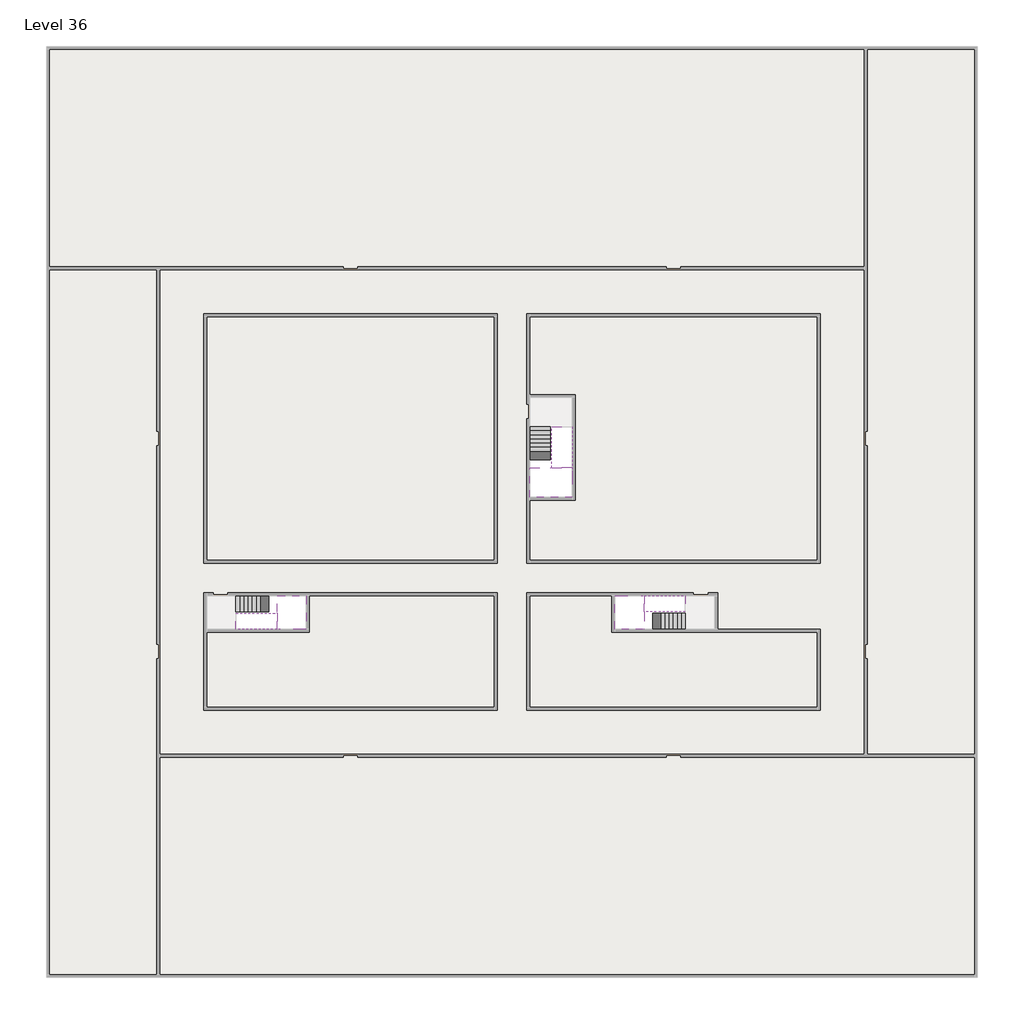
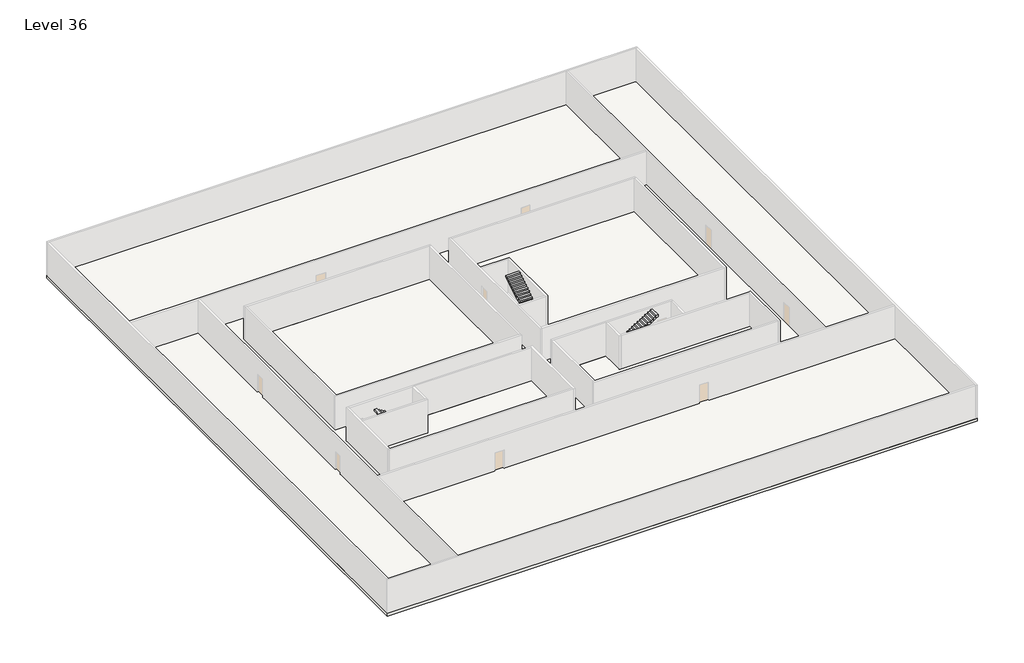
# One storey, part 2 of 2: 6 stair flights, 5 slabs.
"""IFC4 building model written with IfcOpenShell, lengths in millimetres."""

from ifc_helpers import new_model, si_unit, frame, origin, place, context, project, spatial, polyline, outline, extrude, faceted_brep, element, save

model = new_model("IFC4")

# Units and contexts
model_context = context("Model", 3, world=origin())
ifc_project = project(units=[si_unit("LENGTHUNIT", "METRE", prefix="MILLI")], contexts=[model_context])

# Site, building, storey
site = spatial("IfcSite", under=ifc_project)
building = spatial("IfcBuilding", under=site)
storey = spatial("IfcBuildingStorey", under=building, Name="Level 36", Elevation=133000.0)

# Slabs
placement = place(None, origin())
element("IfcSlab", 1, at=placement, inside=storey, context=model_context, shape_type="Brep", body=[
    faceted_brep([(8190.1058784, -42918.09644, 134900.0), (8190.1058784, -44018.09644, 134900.0), (8190.1058784, -44118.09644, 134900.0), (8190.1058784, -45218.09644, 134900.0), (8390.7194421, -45218.09644, 134900.0), (10190.1058784, -45218.09644, 134900.0), (10190.1058784, -42918.09644, 134900.0), (8269.4923146, -42918.09644, 134900.0), (8190.1058784, -42918.09644, 134727.2727273), (8190.1058784, -42918.09644, 134551.0278478), (8190.1058784, -44018.09644, 134551.0278478), (8190.1058784, -44018.09644, 134600.0), (8190.1058784, -44118.09644, 134600.0), (8190.1058784, -44118.09644, 134723.7551205), (8190.1058784, -45218.09644, 134723.7551205), (8390.7194421, -45218.09644, 134600.0), (10190.1058784, -45218.09644, 134600.0), (10190.1058784, -42918.09644, 134600.0), (8269.4923146, -42918.09644, 134600.0), (8390.7194421, -44118.09644, 134600.0), (8269.4923146, -44018.09644, 134600.0)], [[[0, 1, 2, 3, 4, 5, 6, 7]], [[1, 0, 8, 9, 10, 11]], [[2, 1, 11, 12, 13]], [[3, 2, 13, 14]], [[3, 14, 15, 16, 5, 4]], [[6, 5, 16, 17]], [[9, 8, 0, 7, 6, 17, 18]], [[19, 12, 11, 20, 18, 17, 16, 15]], [[12, 19, 13]], [[18, 20, 10, 9]], [[20, 11, 10]], [[19, 15, 14, 13]]]),
])
element("IfcSlab", 2, at=placement, inside=storey, context=model_context, shape_type="Brep", body=[
    faceted_brep([(33190.1058784, -45218.09644, 134900.0), (33190.1058784, -44118.09644, 134900.0), (33190.1058784, -44018.09644, 134900.0), (33190.1058784, -42918.09644, 134900.0), (32989.4923146, -42918.09644, 134900.0), (31190.1058784, -42918.09644, 134900.0), (31190.1058784, -45218.09644, 134900.0), (33110.7194421, -45218.09644, 134900.0), (33190.1058784, -45218.09644, 134727.2727273), (33190.1058784, -45218.09644, 134551.0278478), (33190.1058784, -44118.09644, 134551.0278478), (33190.1058784, -44118.09644, 134600.0), (33190.1058784, -44018.09644, 134600.0), (33190.1058784, -44018.09644, 134723.7551205), (33190.1058784, -42918.09644, 134723.7551205), (32989.4923146, -42918.09644, 134600.0), (31190.1058784, -42918.09644, 134600.0), (31190.1058784, -45218.09644, 134600.0), (33110.7194421, -45218.09644, 134600.0), (32989.4923146, -44018.09644, 134600.0), (33110.7194421, -44118.09644, 134600.0)], [[[0, 1, 2, 3, 4, 5, 6, 7]], [[1, 0, 8, 9, 10, 11]], [[2, 1, 11, 12, 13]], [[3, 2, 13, 14]], [[3, 14, 15, 16, 5, 4]], [[6, 5, 16, 17]], [[9, 8, 0, 7, 6, 17, 18]], [[19, 12, 11, 20, 18, 17, 16, 15]], [[12, 19, 13]], [[18, 20, 10, 9]], [[20, 11, 10]], [[19, 15, 14, 13]]]),
])
element("IfcSlab", 3, at=placement, inside=storey, context=model_context, shape_type="Brep", body=[
    faceted_brep([(26790.1058784, -34218.09644, 134900.0), (25390.1058784, -34218.09644, 134900.0), (25390.1058784, -34297.4828763, 134900.0), (25390.1058784, -36218.09644, 134900.0), (28290.1058784, -36218.09644, 134900.0), (28290.1058784, -34418.7100038, 134900.0), (28290.1058784, -34218.09644, 134900.0), (26890.1058784, -34218.09644, 134900.0), (26790.1058784, -34218.09644, 134600.0), (26790.1058784, -34218.09644, 134551.0278478), (25390.1058784, -34218.09644, 134551.0278478), (25390.1058784, -34218.09644, 134727.2727273), (25390.1058784, -34297.4828763, 134600.0), (25390.1058784, -36218.09644, 134600.0), (28290.1058784, -36218.09644, 134600.0), (28290.1058784, -34418.7100038, 134600.0), (28290.1058784, -34218.09644, 134723.7551205), (26890.1058784, -34218.09644, 134723.7551205), (26890.1058784, -34218.09644, 134600.0), (26890.1058784, -34418.7100038, 134600.0), (26790.1058784, -34297.4828763, 134600.0)], [[[0, 1, 2, 3, 4, 5, 6, 7]], [[1, 0, 8, 9, 10, 11]], [[1, 11, 10, 12, 13, 3, 2]], [[4, 3, 13, 14]], [[4, 14, 15, 16, 6, 5]], [[7, 6, 16, 17]], [[0, 7, 17, 18, 8]], [[18, 19, 15, 14, 13, 12, 20, 8]], [[19, 18, 17]], [[20, 12, 10, 9]], [[8, 20, 9]], [[15, 19, 17, 16]]]),
])
element("IfcSlab", 4, at=placement, inside=storey, context=model_context, shape_type="SweptSolid", body=[
    extrude(outline(polyline([(55890.1058784, -5518.09644), (55890.1058784, -68918.09644), (-7509.8941216, -68918.09644), (-7509.8941216, -5518.09644), (55890.1058784, -5518.09644)]), holes=[polyline([(22990.1058784, -23918.09644), (3390.1058784, -23918.09644), (3390.1058784, -40518.09644), (22990.1058784, -40518.09644), (22990.1058784, -23918.09644)]), polyline([(44990.1058784, -23918.09644), (25390.1058784, -23918.09644), (25390.1058784, -40518.09644), (44990.1058784, -40518.09644), (44990.1058784, -23918.09644)]), polyline([(37990.1058784, -42918.09644), (25390.1058784, -42918.09644), (25390.1058784, -50518.09644), (44990.1058784, -50518.09644), (44990.1058784, -45418.09644), (37990.1058784, -45418.09644), (37990.1058784, -42918.09644)]), polyline([(22990.1058784, -42918.09644), (3390.1058784, -42918.09644), (3390.1058784, -50518.09644), (22990.1058784, -50518.09644), (22990.1058784, -42918.09644)])]), frame((0.0, 0.0, 132700.0), z_axis=(0.0, 0.0, 1.0), x_axis=(1.0, 0.0, 0.0)), (0.0, 0.0, 1.0), 300.0),
])
element("IfcSlab", 5, at=placement, inside=storey, context=model_context, shape_type="SweptSolid", body=[
    extrude(outline(polyline([(22990.1058784, -23918.09644), (22990.1058784, -40518.09644), (3390.1058784, -40518.09644), (3390.1058784, -23918.09644), (22990.1058784, -23918.09644)])), frame((0.0, 0.0, 132700.0), z_axis=(0.0, 0.0, 1.0), x_axis=(1.0, 0.0, 0.0)), (0.0, 0.0, 1.0), 300.0),
    extrude(outline(polyline([(44990.1058784, -23918.09644), (44990.1058784, -40518.09644), (25390.1058784, -40518.09644), (25390.1058784, -36418.09644), (28490.1058784, -36418.09644), (28490.1058784, -29218.09644), (25390.1058784, -29218.09644), (25390.1058784, -23918.09644), (44990.1058784, -23918.09644)])), frame((0.0, 0.0, 132700.0), z_axis=(0.0, 0.0, 1.0), x_axis=(1.0, 0.0, 0.0)), (0.0, 0.0, 1.0), 300.0),
    extrude(outline(polyline([(22990.1058784, -42918.09644), (22990.1058784, -50518.09644), (3390.1058784, -50518.09644), (3390.1058784, -45418.09644), (10390.1058784, -45418.09644), (10390.1058784, -42918.09644), (22990.1058784, -42918.09644)])), frame((0.0, 0.0, 132700.0), z_axis=(0.0, 0.0, 1.0), x_axis=(1.0, 0.0, 0.0)), (0.0, 0.0, 1.0), 300.0),
    extrude(outline(polyline([(30990.1058784, -42918.09644), (30990.1058784, -45418.09644), (44990.1058784, -45418.09644), (44990.1058784, -50518.09644), (25390.1058784, -50518.09644), (25390.1058784, -42918.09644), (30990.1058784, -42918.09644)])), frame((0.0, 0.0, 132700.0), z_axis=(0.0, 0.0, 1.0), x_axis=(1.0, 0.0, 0.0)), (0.0, 0.0, 1.0), 300.0),
])

# Stair flights
element("IfcStairFlight", 6, at=placement, inside=storey, context=model_context, shape_type="Brep", body=[
    faceted_brep([(5670.1058784, -42918.09644, 133172.7272727), (5390.1058784, -42918.09644, 133172.7272727), (5390.1058784, -44018.09644, 133172.7272727), (5670.1058784, -44018.09644, 133172.7272727), (5670.1058784, -42918.09644, 133000.0), (5390.1058784, -42918.09644, 133000.0), (5390.1058784, -44018.09644, 133000.0), (5670.1058784, -44018.09644, 133000.0), (5950.1058784, -42918.09644, 133345.4545455), (5670.1058784, -42918.09644, 133345.4545455), (5670.1058784, -44018.09644, 133345.4545455), (5950.1058784, -44018.09644, 133345.4545455), (5950.1058784, -42918.09644, 133169.209666), (5675.8081041, -42918.09644, 133000.0), (5675.8081041, -44018.09644, 133000.0), (5950.1058784, -44018.09644, 133169.209666), (6230.1058784, -42918.09644, 133518.1818182), (5950.1058784, -42918.09644, 133518.1818182), (5950.1058784, -44018.09644, 133518.1818182), (6230.1058784, -44018.09644, 133518.1818182), (6230.1058784, -42918.09644, 133341.9369387), (6230.1058784, -44018.09644, 133341.9369387), (6510.1058784, -42918.09644, 133690.9090909), (6230.1058784, -42918.09644, 133690.9090909), (6230.1058784, -44018.09644, 133690.9090909), (6510.1058784, -44018.09644, 133690.9090909), (6510.1058784, -42918.09644, 133514.6642114), (6510.1058784, -44018.09644, 133514.6642114), (6790.1058784, -42918.09644, 133863.6363636), (6510.1058784, -42918.09644, 133863.6363636), (6510.1058784, -44018.09644, 133863.6363636), (6790.1058784, -44018.09644, 133863.6363636), (6790.1058784, -42918.09644, 133687.3914841), (6790.1058784, -44018.09644, 133687.3914841), (7070.1058784, -42918.09644, 134036.3636364), (6790.1058784, -42918.09644, 134036.3636364), (6790.1058784, -44018.09644, 134036.3636364), (7070.1058784, -44018.09644, 134036.3636364), (7070.1058784, -42918.09644, 133860.1187569), (7070.1058784, -44018.09644, 133860.1187569), (7350.1058784, -42918.09644, 134209.0909091), (7070.1058784, -42918.09644, 134209.0909091), (7070.1058784, -44018.09644, 134209.0909091), (7350.1058784, -44018.09644, 134209.0909091), (7350.1058784, -42918.09644, 134032.8460296), (7350.1058784, -44018.09644, 134032.8460296), (7630.1058784, -42918.09644, 134381.8181818), (7350.1058784, -42918.09644, 134381.8181818), (7350.1058784, -44018.09644, 134381.8181818), (7630.1058784, -44018.09644, 134381.8181818), (7630.1058784, -42918.09644, 134205.5733023), (7630.1058784, -44018.09644, 134205.5733023), (7910.1058784, -42918.09644, 134554.5454545), (7630.1058784, -42918.09644, 134554.5454545), (7630.1058784, -44018.09644, 134554.5454545), (7910.1058784, -44018.09644, 134554.5454545), (7910.1058784, -42918.09644, 134378.3005751), (7910.1058784, -44018.09644, 134378.3005751), (8190.1058784, -42918.09644, 134727.2727273), (7910.1058784, -42918.09644, 134727.2727273), (7910.1058784, -44018.09644, 134727.2727273), (8190.1058784, -44018.09644, 134727.2727273), (8190.1058784, -42918.09644, 134551.0278478), (8190.1058784, -44018.09644, 134551.0278478), (8190.1058784, -44018.09644, 134600.0)], [[[0, 1, 2, 3]], [[1, 0, 4, 5]], [[2, 1, 5, 6]], [[3, 2, 6, 7]], [[8, 9, 10, 11]], [[4, 0, 9, 8, 12, 13]], [[0, 3, 10, 9]], [[3, 7, 14, 15, 11, 10]], [[16, 17, 18, 19]], [[17, 16, 20, 12, 8]], [[8, 11, 18, 17]], [[19, 18, 11, 15, 21]], [[22, 23, 24, 25]], [[23, 22, 26, 20, 16]], [[16, 19, 24, 23]], [[25, 24, 19, 21, 27]], [[28, 29, 30, 31]], [[29, 28, 32, 26, 22]], [[22, 25, 30, 29]], [[31, 30, 25, 27, 33]], [[34, 35, 36, 37]], [[35, 34, 38, 32, 28]], [[28, 31, 36, 35]], [[37, 36, 31, 33, 39]], [[40, 41, 42, 43]], [[41, 40, 44, 38, 34]], [[34, 37, 42, 41]], [[43, 42, 37, 39, 45]], [[46, 47, 48, 49]], [[47, 46, 50, 44, 40]], [[40, 43, 48, 47]], [[49, 48, 43, 45, 51]], [[52, 53, 54, 55]], [[53, 52, 56, 50, 46]], [[46, 49, 54, 53]], [[55, 54, 49, 51, 57]], [[58, 59, 60, 61]], [[59, 58, 62, 56, 52]], [[52, 55, 60, 59]], [[61, 60, 55, 57, 63, 64]], [[58, 61, 64, 63, 62]], [[5, 4, 13, 14, 7, 6]], [[14, 13, 12, 20, 26, 32, 38, 44, 50, 56, 62, 63, 57, 51, 45, 39, 33, 27, 21, 15]]]),
])
element("IfcStairFlight", 7, at=placement, inside=storey, context=model_context, shape_type="Brep", body=[
    faceted_brep([(7910.1058784, -45218.09644, 135072.7272727), (8190.1058784, -45218.09644, 135072.7272727), (8190.1058784, -44118.09644, 135072.7272727), (7910.1058784, -44118.09644, 135072.7272727), (7910.1058784, -45218.09644, 134896.4823932), (8190.1058784, -45218.09644, 134723.7551205), (8190.1058784, -45218.09644, 134900.0), (8190.1058784, -44118.09644, 134723.7551205), (7910.1058784, -44118.09644, 134896.4823932), (7630.1058784, -45218.09644, 135245.4545455), (7910.1058784, -45218.09644, 135245.4545455), (7910.1058784, -44118.09644, 135245.4545455), (7630.1058784, -44118.09644, 135245.4545455), (7630.1058784, -45218.09644, 135069.209666), (7630.1058784, -44118.09644, 135069.209666), (7350.1058784, -45218.09644, 135418.1818182), (7630.1058784, -45218.09644, 135418.1818182), (7630.1058784, -44118.09644, 135418.1818182), (7350.1058784, -44118.09644, 135418.1818182), (7350.1058784, -45218.09644, 135241.9369387), (7350.1058784, -44118.09644, 135241.9369387), (7070.1058784, -45218.09644, 135590.9090909), (7350.1058784, -45218.09644, 135590.9090909), (7350.1058784, -44118.09644, 135590.9090909), (7070.1058784, -44118.09644, 135590.9090909), (7070.1058784, -45218.09644, 135414.6642114), (7070.1058784, -44118.09644, 135414.6642114), (6790.1058784, -45218.09644, 135763.6363636), (7070.1058784, -45218.09644, 135763.6363636), (7070.1058784, -44118.09644, 135763.6363636), (6790.1058784, -44118.09644, 135763.6363636), (6790.1058784, -45218.09644, 135587.3914841), (6790.1058784, -44118.09644, 135587.3914841), (6510.1058784, -45218.09644, 135936.3636364), (6790.1058784, -45218.09644, 135936.3636364), (6790.1058784, -44118.09644, 135936.3636364), (6510.1058784, -44118.09644, 135936.3636364), (6510.1058784, -45218.09644, 135760.1187569), (6510.1058784, -44118.09644, 135760.1187569), (6230.1058784, -45218.09644, 136109.0909091), (6510.1058784, -45218.09644, 136109.0909091), (6510.1058784, -44118.09644, 136109.0909091), (6230.1058784, -44118.09644, 136109.0909091), (6230.1058784, -45218.09644, 135932.8460296), (6230.1058784, -44118.09644, 135932.8460296), (5950.1058784, -45218.09644, 136281.8181818), (6230.1058784, -45218.09644, 136281.8181818), (6230.1058784, -44118.09644, 136281.8181818), (5950.1058784, -44118.09644, 136281.8181818), (5950.1058784, -45218.09644, 136105.5733023), (5950.1058784, -44118.09644, 136105.5733023), (5670.1058784, -45218.09644, 136454.5454545), (5950.1058784, -45218.09644, 136454.5454545), (5950.1058784, -44118.09644, 136454.5454545), (5670.1058784, -44118.09644, 136454.5454545), (5670.1058784, -45218.09644, 136278.3005751), (5670.1058784, -44118.09644, 136278.3005751), (5390.1058784, -45218.09644, 136627.2727273), (5670.1058784, -45218.09644, 136627.2727273), (5670.1058784, -44118.09644, 136627.2727273), (5390.1058784, -44118.09644, 136627.2727273), (5390.1058784, -45218.09644, 136451.0278478), (5390.1058784, -44118.09644, 136451.0278478)], [[[0, 1, 2, 3]], [[1, 0, 4, 5, 6]], [[2, 1, 6, 5, 7]], [[3, 2, 7, 8]], [[9, 10, 11, 12]], [[10, 9, 13, 4, 0]], [[11, 10, 0, 3]], [[12, 11, 3, 8, 14]], [[15, 16, 17, 18]], [[16, 15, 19, 13, 9]], [[17, 16, 9, 12]], [[18, 17, 12, 14, 20]], [[21, 22, 23, 24]], [[22, 21, 25, 19, 15]], [[23, 22, 15, 18]], [[24, 23, 18, 20, 26]], [[27, 28, 29, 30]], [[28, 27, 31, 25, 21]], [[29, 28, 21, 24]], [[30, 29, 24, 26, 32]], [[33, 34, 35, 36]], [[34, 33, 37, 31, 27]], [[35, 34, 27, 30]], [[36, 35, 30, 32, 38]], [[39, 40, 41, 42]], [[40, 39, 43, 37, 33]], [[41, 40, 33, 36]], [[42, 41, 36, 38, 44]], [[45, 46, 47, 48]], [[46, 45, 49, 43, 39]], [[47, 46, 39, 42]], [[48, 47, 42, 44, 50]], [[51, 52, 53, 54]], [[52, 51, 55, 49, 45]], [[53, 52, 45, 48]], [[54, 53, 48, 50, 56]], [[57, 58, 59, 60]], [[58, 57, 61, 55, 51]], [[59, 58, 51, 54]], [[60, 59, 54, 56, 62]], [[57, 60, 62, 61]], [[5, 4, 13, 19, 25, 31, 37, 43, 49, 55, 61, 62, 56, 50, 44, 38, 32, 26, 20, 14, 8, 7]]]),
])
element("IfcStairFlight", 8, at=placement, inside=storey, context=model_context, shape_type="Brep", body=[
    faceted_brep([(35710.1058784, -45218.09644, 133172.7272727), (35990.1058784, -45218.09644, 133172.7272727), (35990.1058784, -44118.09644, 133172.7272727), (35710.1058784, -44118.09644, 133172.7272727), (35710.1058784, -45218.09644, 133000.0), (35990.1058784, -45218.09644, 133000.0), (35990.1058784, -44118.09644, 133000.0), (35710.1058784, -44118.09644, 133000.0), (35430.1058784, -45218.09644, 133345.4545455), (35710.1058784, -45218.09644, 133345.4545455), (35710.1058784, -44118.09644, 133345.4545455), (35430.1058784, -44118.09644, 133345.4545455), (35430.1058784, -45218.09644, 133169.209666), (35704.4036527, -45218.09644, 133000.0), (35704.4036527, -44118.09644, 133000.0), (35430.1058784, -44118.09644, 133169.209666), (35150.1058784, -45218.09644, 133518.1818182), (35430.1058784, -45218.09644, 133518.1818182), (35430.1058784, -44118.09644, 133518.1818182), (35150.1058784, -44118.09644, 133518.1818182), (35150.1058784, -45218.09644, 133341.9369387), (35150.1058784, -44118.09644, 133341.9369387), (34870.1058784, -45218.09644, 133690.9090909), (35150.1058784, -45218.09644, 133690.9090909), (35150.1058784, -44118.09644, 133690.9090909), (34870.1058784, -44118.09644, 133690.9090909), (34870.1058784, -45218.09644, 133514.6642114), (34870.1058784, -44118.09644, 133514.6642114), (34590.1058784, -45218.09644, 133863.6363636), (34870.1058784, -45218.09644, 133863.6363636), (34870.1058784, -44118.09644, 133863.6363636), (34590.1058784, -44118.09644, 133863.6363636), (34590.1058784, -45218.09644, 133687.3914841), (34590.1058784, -44118.09644, 133687.3914841), (34310.1058784, -45218.09644, 134036.3636364), (34590.1058784, -45218.09644, 134036.3636364), (34590.1058784, -44118.09644, 134036.3636364), (34310.1058784, -44118.09644, 134036.3636364), (34310.1058784, -45218.09644, 133860.1187569), (34310.1058784, -44118.09644, 133860.1187569), (34030.1058784, -45218.09644, 134209.0909091), (34310.1058784, -45218.09644, 134209.0909091), (34310.1058784, -44118.09644, 134209.0909091), (34030.1058784, -44118.09644, 134209.0909091), (34030.1058784, -45218.09644, 134032.8460296), (34030.1058784, -44118.09644, 134032.8460296), (33750.1058784, -45218.09644, 134381.8181818), (34030.1058784, -45218.09644, 134381.8181818), (34030.1058784, -44118.09644, 134381.8181818), (33750.1058784, -44118.09644, 134381.8181818), (33750.1058784, -45218.09644, 134205.5733023), (33750.1058784, -44118.09644, 134205.5733023), (33470.1058784, -45218.09644, 134554.5454545), (33750.1058784, -45218.09644, 134554.5454545), (33750.1058784, -44118.09644, 134554.5454545), (33470.1058784, -44118.09644, 134554.5454545), (33470.1058784, -45218.09644, 134378.3005751), (33470.1058784, -44118.09644, 134378.3005751), (33190.1058784, -45218.09644, 134727.2727273), (33470.1058784, -45218.09644, 134727.2727273), (33470.1058784, -44118.09644, 134727.2727273), (33190.1058784, -44118.09644, 134727.2727273), (33190.1058784, -45218.09644, 134551.0278478), (33190.1058784, -44118.09644, 134551.0278478), (33190.1058784, -44118.09644, 134600.0)], [[[0, 1, 2, 3]], [[1, 0, 4, 5]], [[2, 1, 5, 6]], [[3, 2, 6, 7]], [[8, 9, 10, 11]], [[4, 0, 9, 8, 12, 13]], [[0, 3, 10, 9]], [[3, 7, 14, 15, 11, 10]], [[16, 17, 18, 19]], [[17, 16, 20, 12, 8]], [[8, 11, 18, 17]], [[19, 18, 11, 15, 21]], [[22, 23, 24, 25]], [[23, 22, 26, 20, 16]], [[16, 19, 24, 23]], [[25, 24, 19, 21, 27]], [[28, 29, 30, 31]], [[29, 28, 32, 26, 22]], [[22, 25, 30, 29]], [[31, 30, 25, 27, 33]], [[34, 35, 36, 37]], [[35, 34, 38, 32, 28]], [[28, 31, 36, 35]], [[37, 36, 31, 33, 39]], [[40, 41, 42, 43]], [[41, 40, 44, 38, 34]], [[34, 37, 42, 41]], [[43, 42, 37, 39, 45]], [[46, 47, 48, 49]], [[47, 46, 50, 44, 40]], [[40, 43, 48, 47]], [[49, 48, 43, 45, 51]], [[52, 53, 54, 55]], [[53, 52, 56, 50, 46]], [[46, 49, 54, 53]], [[55, 54, 49, 51, 57]], [[58, 59, 60, 61]], [[59, 58, 62, 56, 52]], [[52, 55, 60, 59]], [[61, 60, 55, 57, 63, 64]], [[58, 61, 64, 63, 62]], [[5, 4, 13, 14, 7, 6]], [[14, 13, 12, 20, 26, 32, 38, 44, 50, 56, 62, 63, 57, 51, 45, 39, 33, 27, 21, 15]]]),
])
element("IfcStairFlight", 9, at=placement, inside=storey, context=model_context, shape_type="Brep", body=[
    faceted_brep([(33470.1058784, -42918.09644, 135072.7272727), (33190.1058784, -42918.09644, 135072.7272727), (33190.1058784, -44018.09644, 135072.7272727), (33470.1058784, -44018.09644, 135072.7272727), (33470.1058784, -42918.09644, 134896.4823932), (33190.1058784, -42918.09644, 134723.7551205), (33190.1058784, -42918.09644, 134900.0), (33190.1058784, -44018.09644, 134723.7551205), (33470.1058784, -44018.09644, 134896.4823932), (33750.1058784, -42918.09644, 135245.4545455), (33470.1058784, -42918.09644, 135245.4545455), (33470.1058784, -44018.09644, 135245.4545455), (33750.1058784, -44018.09644, 135245.4545455), (33750.1058784, -42918.09644, 135069.209666), (33750.1058784, -44018.09644, 135069.209666), (34030.1058784, -42918.09644, 135418.1818182), (33750.1058784, -42918.09644, 135418.1818182), (33750.1058784, -44018.09644, 135418.1818182), (34030.1058784, -44018.09644, 135418.1818182), (34030.1058784, -42918.09644, 135241.9369387), (34030.1058784, -44018.09644, 135241.9369387), (34310.1058784, -42918.09644, 135590.9090909), (34030.1058784, -42918.09644, 135590.9090909), (34030.1058784, -44018.09644, 135590.9090909), (34310.1058784, -44018.09644, 135590.9090909), (34310.1058784, -42918.09644, 135414.6642114), (34310.1058784, -44018.09644, 135414.6642114), (34590.1058784, -42918.09644, 135763.6363636), (34310.1058784, -42918.09644, 135763.6363636), (34310.1058784, -44018.09644, 135763.6363636), (34590.1058784, -44018.09644, 135763.6363636), (34590.1058784, -42918.09644, 135587.3914841), (34590.1058784, -44018.09644, 135587.3914841), (34870.1058784, -42918.09644, 135936.3636364), (34590.1058784, -42918.09644, 135936.3636364), (34590.1058784, -44018.09644, 135936.3636364), (34870.1058784, -44018.09644, 135936.3636364), (34870.1058784, -42918.09644, 135760.1187569), (34870.1058784, -44018.09644, 135760.1187569), (35150.1058784, -42918.09644, 136109.0909091), (34870.1058784, -42918.09644, 136109.0909091), (34870.1058784, -44018.09644, 136109.0909091), (35150.1058784, -44018.09644, 136109.0909091), (35150.1058784, -42918.09644, 135932.8460296), (35150.1058784, -44018.09644, 135932.8460296), (35430.1058784, -42918.09644, 136281.8181818), (35150.1058784, -42918.09644, 136281.8181818), (35150.1058784, -44018.09644, 136281.8181818), (35430.1058784, -44018.09644, 136281.8181818), (35430.1058784, -42918.09644, 136105.5733023), (35430.1058784, -44018.09644, 136105.5733023), (35710.1058784, -42918.09644, 136454.5454545), (35430.1058784, -42918.09644, 136454.5454545), (35430.1058784, -44018.09644, 136454.5454545), (35710.1058784, -44018.09644, 136454.5454545), (35710.1058784, -42918.09644, 136278.3005751), (35710.1058784, -44018.09644, 136278.3005751), (35990.1058784, -42918.09644, 136627.2727273), (35710.1058784, -42918.09644, 136627.2727273), (35710.1058784, -44018.09644, 136627.2727273), (35990.1058784, -44018.09644, 136627.2727273), (35990.1058784, -42918.09644, 136451.0278478), (35990.1058784, -44018.09644, 136451.0278478)], [[[0, 1, 2, 3]], [[1, 0, 4, 5, 6]], [[2, 1, 6, 5, 7]], [[3, 2, 7, 8]], [[9, 10, 11, 12]], [[10, 9, 13, 4, 0]], [[11, 10, 0, 3]], [[12, 11, 3, 8, 14]], [[15, 16, 17, 18]], [[16, 15, 19, 13, 9]], [[17, 16, 9, 12]], [[18, 17, 12, 14, 20]], [[21, 22, 23, 24]], [[22, 21, 25, 19, 15]], [[23, 22, 15, 18]], [[24, 23, 18, 20, 26]], [[27, 28, 29, 30]], [[28, 27, 31, 25, 21]], [[29, 28, 21, 24]], [[30, 29, 24, 26, 32]], [[33, 34, 35, 36]], [[34, 33, 37, 31, 27]], [[35, 34, 27, 30]], [[36, 35, 30, 32, 38]], [[39, 40, 41, 42]], [[40, 39, 43, 37, 33]], [[41, 40, 33, 36]], [[42, 41, 36, 38, 44]], [[45, 46, 47, 48]], [[46, 45, 49, 43, 39]], [[47, 46, 39, 42]], [[48, 47, 42, 44, 50]], [[51, 52, 53, 54]], [[52, 51, 55, 49, 45]], [[53, 52, 45, 48]], [[54, 53, 48, 50, 56]], [[57, 58, 59, 60]], [[58, 57, 61, 55, 51]], [[59, 58, 51, 54]], [[60, 59, 54, 56, 62]], [[57, 60, 62, 61]], [[5, 4, 13, 19, 25, 31, 37, 43, 49, 55, 61, 62, 56, 50, 44, 38, 32, 26, 20, 14, 8, 7]]]),
])
element("IfcStairFlight", 10, at=placement, inside=storey, context=model_context, shape_type="Brep", body=[
    faceted_brep([(26790.1058784, -31698.09644, 133172.7272727), (26790.1058784, -31418.09644, 133172.7272727), (25390.1058784, -31418.09644, 133172.7272727), (25390.1058784, -31698.09644, 133172.7272727), (26790.1058784, -31698.09644, 133000.0), (26790.1058784, -31418.09644, 133000.0), (25390.1058784, -31418.09644, 133000.0), (25390.1058784, -31698.09644, 133000.0), (26790.1058784, -31978.09644, 133345.4545455), (26790.1058784, -31698.09644, 133345.4545455), (25390.1058784, -31698.09644, 133345.4545455), (25390.1058784, -31978.09644, 133345.4545455), (26790.1058784, -31978.09644, 133169.209666), (26790.1058784, -31703.7986657, 133000.0), (25390.1058784, -31703.7986657, 133000.0), (25390.1058784, -31978.09644, 133169.209666), (26790.1058784, -32258.09644, 133518.1818182), (26790.1058784, -31978.09644, 133518.1818182), (25390.1058784, -31978.09644, 133518.1818182), (25390.1058784, -32258.09644, 133518.1818182), (26790.1058784, -32258.09644, 133341.9369387), (25390.1058784, -32258.09644, 133341.9369387), (26790.1058784, -32538.09644, 133690.9090909), (26790.1058784, -32258.09644, 133690.9090909), (25390.1058784, -32258.09644, 133690.9090909), (25390.1058784, -32538.09644, 133690.9090909), (26790.1058784, -32538.09644, 133514.6642114), (25390.1058784, -32538.09644, 133514.6642114), (26790.1058784, -32818.09644, 133863.6363636), (26790.1058784, -32538.09644, 133863.6363636), (25390.1058784, -32538.09644, 133863.6363636), (25390.1058784, -32818.09644, 133863.6363636), (26790.1058784, -32818.09644, 133687.3914841), (25390.1058784, -32818.09644, 133687.3914841), (26790.1058784, -33098.09644, 134036.3636364), (26790.1058784, -32818.09644, 134036.3636364), (25390.1058784, -32818.09644, 134036.3636364), (25390.1058784, -33098.09644, 134036.3636364), (26790.1058784, -33098.09644, 133860.1187569), (25390.1058784, -33098.09644, 133860.1187569), (26790.1058784, -33378.09644, 134209.0909091), (26790.1058784, -33098.09644, 134209.0909091), (25390.1058784, -33098.09644, 134209.0909091), (25390.1058784, -33378.09644, 134209.0909091), (26790.1058784, -33378.09644, 134032.8460296), (25390.1058784, -33378.09644, 134032.8460296), (26790.1058784, -33658.09644, 134381.8181818), (26790.1058784, -33378.09644, 134381.8181818), (25390.1058784, -33378.09644, 134381.8181818), (25390.1058784, -33658.09644, 134381.8181818), (26790.1058784, -33658.09644, 134205.5733023), (25390.1058784, -33658.09644, 134205.5733023), (26790.1058784, -33938.09644, 134554.5454545), (26790.1058784, -33658.09644, 134554.5454545), (25390.1058784, -33658.09644, 134554.5454545), (25390.1058784, -33938.09644, 134554.5454545), (26790.1058784, -33938.09644, 134378.3005751), (25390.1058784, -33938.09644, 134378.3005751), (26790.1058784, -34218.09644, 134727.2727273), (26790.1058784, -33938.09644, 134727.2727273), (25390.1058784, -33938.09644, 134727.2727273), (25390.1058784, -34218.09644, 134727.2727273), (26790.1058784, -34218.09644, 134600.0), (26790.1058784, -34218.09644, 134551.0278478), (25390.1058784, -34218.09644, 134551.0278478)], [[[0, 1, 2, 3]], [[1, 0, 4, 5]], [[2, 1, 5, 6]], [[3, 2, 6, 7]], [[8, 9, 10, 11]], [[4, 0, 9, 8, 12, 13]], [[0, 3, 10, 9]], [[3, 7, 14, 15, 11, 10]], [[16, 17, 18, 19]], [[17, 16, 20, 12, 8]], [[8, 11, 18, 17]], [[19, 18, 11, 15, 21]], [[22, 23, 24, 25]], [[23, 22, 26, 20, 16]], [[16, 19, 24, 23]], [[25, 24, 19, 21, 27]], [[28, 29, 30, 31]], [[29, 28, 32, 26, 22]], [[22, 25, 30, 29]], [[31, 30, 25, 27, 33]], [[34, 35, 36, 37]], [[35, 34, 38, 32, 28]], [[28, 31, 36, 35]], [[37, 36, 31, 33, 39]], [[40, 41, 42, 43]], [[41, 40, 44, 38, 34]], [[34, 37, 42, 41]], [[43, 42, 37, 39, 45]], [[46, 47, 48, 49]], [[47, 46, 50, 44, 40]], [[40, 43, 48, 47]], [[49, 48, 43, 45, 51]], [[52, 53, 54, 55]], [[53, 52, 56, 50, 46]], [[46, 49, 54, 53]], [[55, 54, 49, 51, 57]], [[58, 59, 60, 61]], [[59, 58, 62, 63, 56, 52]], [[52, 55, 60, 59]], [[61, 60, 55, 57, 64]], [[58, 61, 64, 63, 62]], [[5, 4, 13, 14, 7, 6]], [[14, 13, 12, 20, 26, 32, 38, 44, 50, 56, 63, 64, 57, 51, 45, 39, 33, 27, 21, 15]]]),
])
element("IfcStairFlight", 11, at=placement, inside=storey, context=model_context, shape_type="Brep", body=[
    faceted_brep([(26890.1058784, -33938.09644, 135072.7272727), (26890.1058784, -34218.09644, 135072.7272727), (28290.1058784, -34218.09644, 135072.7272727), (28290.1058784, -33938.09644, 135072.7272727), (26890.1058784, -33938.09644, 134896.4823932), (26890.1058784, -34218.09644, 134723.7551205), (28290.1058784, -34218.09644, 134723.7551205), (28290.1058784, -34218.09644, 134900.0), (28290.1058784, -33938.09644, 134896.4823932), (26890.1058784, -33658.09644, 135245.4545455), (26890.1058784, -33938.09644, 135245.4545455), (28290.1058784, -33938.09644, 135245.4545455), (28290.1058784, -33658.09644, 135245.4545455), (26890.1058784, -33658.09644, 135069.209666), (28290.1058784, -33658.09644, 135069.209666), (26890.1058784, -33378.09644, 135418.1818182), (26890.1058784, -33658.09644, 135418.1818182), (28290.1058784, -33658.09644, 135418.1818182), (28290.1058784, -33378.09644, 135418.1818182), (26890.1058784, -33378.09644, 135241.9369387), (28290.1058784, -33378.09644, 135241.9369387), (26890.1058784, -33098.09644, 135590.9090909), (26890.1058784, -33378.09644, 135590.9090909), (28290.1058784, -33378.09644, 135590.9090909), (28290.1058784, -33098.09644, 135590.9090909), (26890.1058784, -33098.09644, 135414.6642114), (28290.1058784, -33098.09644, 135414.6642114), (26890.1058784, -32818.09644, 135763.6363636), (26890.1058784, -33098.09644, 135763.6363636), (28290.1058784, -33098.09644, 135763.6363636), (28290.1058784, -32818.09644, 135763.6363636), (26890.1058784, -32818.09644, 135587.3914841), (28290.1058784, -32818.09644, 135587.3914841), (26890.1058784, -32538.09644, 135936.3636364), (26890.1058784, -32818.09644, 135936.3636364), (28290.1058784, -32818.09644, 135936.3636364), (28290.1058784, -32538.09644, 135936.3636364), (26890.1058784, -32538.09644, 135760.1187569), (28290.1058784, -32538.09644, 135760.1187569), (26890.1058784, -32258.09644, 136109.0909091), (26890.1058784, -32538.09644, 136109.0909091), (28290.1058784, -32538.09644, 136109.0909091), (28290.1058784, -32258.09644, 136109.0909091), (26890.1058784, -32258.09644, 135932.8460296), (28290.1058784, -32258.09644, 135932.8460296), (26890.1058784, -31978.09644, 136281.8181818), (26890.1058784, -32258.09644, 136281.8181818), (28290.1058784, -32258.09644, 136281.8181818), (28290.1058784, -31978.09644, 136281.8181818), (26890.1058784, -31978.09644, 136105.5733023), (28290.1058784, -31978.09644, 136105.5733023), (26890.1058784, -31698.09644, 136454.5454545), (26890.1058784, -31978.09644, 136454.5454545), (28290.1058784, -31978.09644, 136454.5454545), (28290.1058784, -31698.09644, 136454.5454545), (26890.1058784, -31698.09644, 136278.3005751), (28290.1058784, -31698.09644, 136278.3005751), (26890.1058784, -31418.09644, 136627.2727273), (26890.1058784, -31698.09644, 136627.2727273), (28290.1058784, -31698.09644, 136627.2727273), (28290.1058784, -31418.09644, 136627.2727273), (26890.1058784, -31418.09644, 136451.0278478), (28290.1058784, -31418.09644, 136451.0278478)], [[[0, 1, 2, 3]], [[1, 0, 4, 5]], [[2, 1, 5, 6, 7]], [[3, 2, 7, 6, 8]], [[9, 10, 11, 12]], [[10, 9, 13, 4, 0]], [[11, 10, 0, 3]], [[12, 11, 3, 8, 14]], [[15, 16, 17, 18]], [[16, 15, 19, 13, 9]], [[17, 16, 9, 12]], [[18, 17, 12, 14, 20]], [[21, 22, 23, 24]], [[22, 21, 25, 19, 15]], [[23, 22, 15, 18]], [[24, 23, 18, 20, 26]], [[27, 28, 29, 30]], [[28, 27, 31, 25, 21]], [[29, 28, 21, 24]], [[30, 29, 24, 26, 32]], [[33, 34, 35, 36]], [[34, 33, 37, 31, 27]], [[35, 34, 27, 30]], [[36, 35, 30, 32, 38]], [[39, 40, 41, 42]], [[40, 39, 43, 37, 33]], [[41, 40, 33, 36]], [[42, 41, 36, 38, 44]], [[45, 46, 47, 48]], [[46, 45, 49, 43, 39]], [[47, 46, 39, 42]], [[48, 47, 42, 44, 50]], [[51, 52, 53, 54]], [[52, 51, 55, 49, 45]], [[53, 52, 45, 48]], [[54, 53, 48, 50, 56]], [[57, 58, 59, 60]], [[58, 57, 61, 55, 51]], [[59, 58, 51, 54]], [[60, 59, 54, 56, 62]], [[57, 60, 62, 61]], [[5, 4, 13, 19, 25, 31, 37, 43, 49, 55, 61, 62, 56, 50, 44, 38, 32, 26, 20, 14, 8, 6]]]),
])

save(model, "model.ifc")
